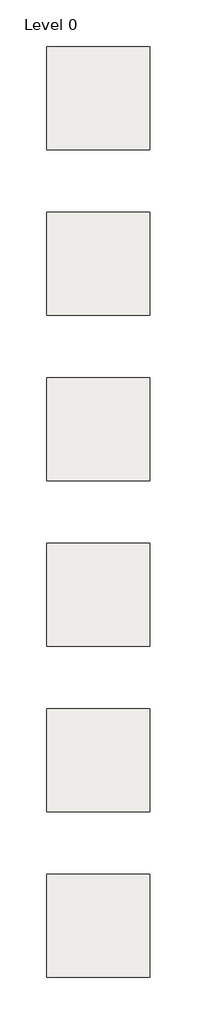
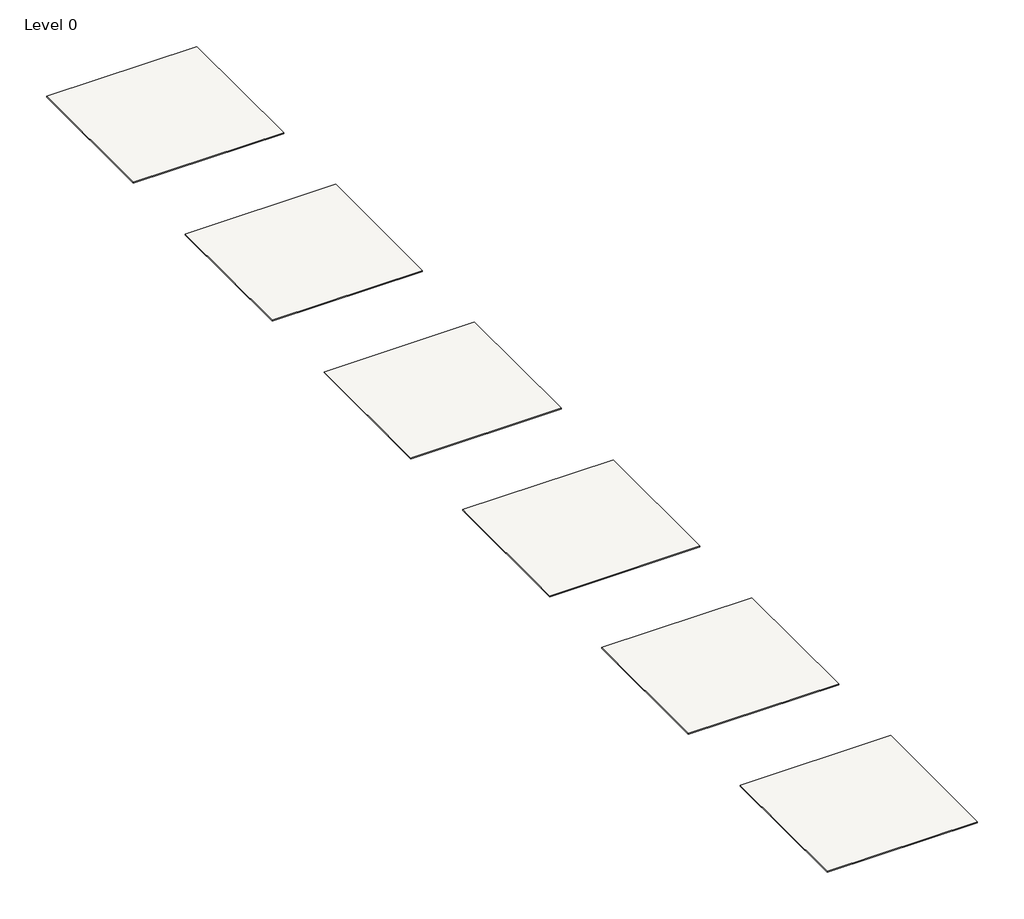
# One storey: 6 coverings.
"""IFC4 building model written with IfcOpenShell, lengths in millimetres."""

from ifc_helpers import new_model, si_unit, origin, origin_with_axes, place, context, project, spatial, polyline, outline, extrude, element, save

model = new_model("IFC4")

# Units and contexts
model_context = context("Model", 3, world=origin())
ifc_project = project(units=[si_unit("LENGTHUNIT", "METRE", prefix="MILLI")], contexts=[model_context])

# Site, building, storey
site = spatial("IfcSite", under=ifc_project)
building = spatial("IfcBuilding", under=site)
storey = spatial("IfcBuildingStorey", under=building, Name="Level 0", Elevation=0.0)

# Coverings
placement = place(None, origin())
element("IfcCovering", 1, at=placement, inside=storey, context=model_context, shape_type="SweptSolid", body=[
    extrude(outline(polyline([(0.0, -2500.0), (0.0, 0.0), (2500.0, 0.0), (2500.0, -2500.0), (0.0, -2500.0)])), origin_with_axes(), (0.0, 0.0, 1.0), 16.0),
])
element("IfcCovering", 2, at=placement, inside=storey, context=model_context, shape_type="SweptSolid", body=[
    extrude(outline(polyline([(0.0, -6500.0), (0.0, -4000.0), (2500.0, -4000.0), (2500.0, -6500.0), (0.0, -6500.0)])), origin_with_axes(), (0.0, 0.0, 1.0), 16.0),
])
element("IfcCovering", 3, at=placement, inside=storey, context=model_context, shape_type="SweptSolid", body=[
    extrude(outline(polyline([(0.0, -10500.0), (0.0, -8000.0), (2500.0, -8000.0), (2500.0, -10500.0), (0.0, -10500.0)])), origin_with_axes(), (0.0, 0.0, 1.0), 16.0),
])
element("IfcCovering", 4, at=placement, inside=storey, context=model_context, shape_type="SweptSolid", body=[
    extrude(outline(polyline([(0.0, -14500.0), (0.0, -12000.0), (2500.0, -12000.0), (2500.0, -14500.0), (0.0, -14500.0)])), origin_with_axes(), (0.0, 0.0, 1.0), 16.0),
])
element("IfcCovering", 5, at=placement, inside=storey, context=model_context, shape_type="SweptSolid", body=[
    extrude(outline(polyline([(0.0, -18500.0), (0.0, -16000.0), (2500.0, -16000.0), (2500.0, -18500.0), (0.0, -18500.0)])), origin_with_axes(), (0.0, 0.0, 1.0), 16.0),
])
element("IfcCovering", 6, at=placement, inside=storey, context=model_context, shape_type="SweptSolid", body=[
    extrude(outline(polyline([(0.0, -22500.0), (0.0, -20000.0), (2500.0, -20000.0), (2500.0, -22500.0), (0.0, -22500.0)])), origin_with_axes(), (0.0, 0.0, 1.0), 16.0),
])

save(model, "model.ifc")
